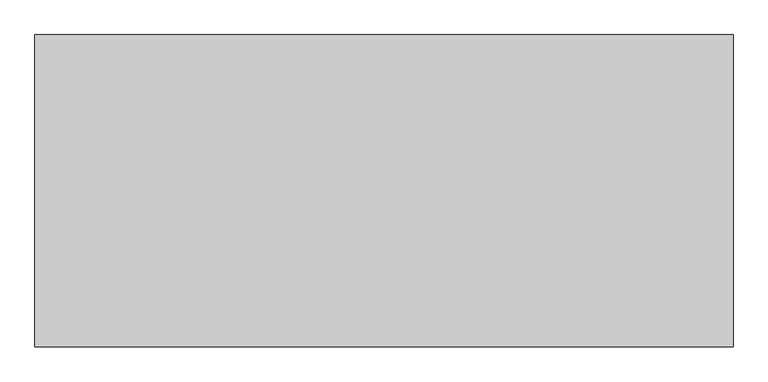
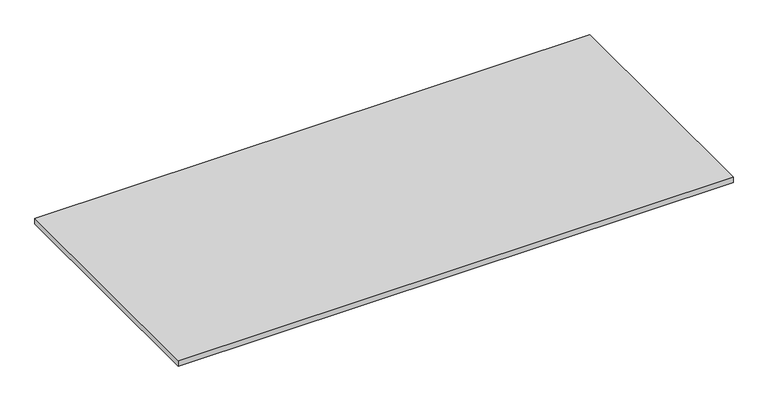
"""IFC4 building model written with IfcOpenShell, lengths in millimetres: furniture geometry."""

from ifc_helpers import new_model, si_unit, frame, origin, place, context, project, spatial, polyline, outline, extrude, source, transform, mapped, element, save


def furniture_c6583f2a(model_context):
    return source(origin(), model_context, "Body", "SweptSolid", [
        extrude(outline(polyline([(0.0, 0.0), (1900.0, 0.0), (1900.0, -850.0), (0.0, -850.0), (0.0, 0.0)])), frame((0.0, 0.0, 730.0), z_axis=(0.0, 0.0, 1.0), x_axis=(1.0, 0.0, 0.0)), (0.0, 0.0, 1.0), 20.0),
    ])


if __name__ == "__main__":
    model = new_model("IFC4")
    model_context = context("Model", 3, world=origin())
    ifc_project = project(units=[si_unit("LENGTHUNIT", "METRE", prefix="MILLI")], contexts=[model_context])
    site = spatial("IfcSite", under=ifc_project)
    building = spatial("IfcBuilding", under=site)
    placement = place(None, origin())
    furniture_shape = furniture_c6583f2a(model_context)
    element("IfcFurniture", 1, at=placement, inside=building, context=model_context, shape_type="MappedRepresentation", body=[
        mapped(furniture_shape, transform((0.0, 0.0, 0.0), x_axis=(1.0, 0.0, 0.0), y_axis=(0.0, 1.0, 0.0), z_axis=(0.0, 0.0, 1.0))),
    ])
    save(model, "model.ifc")
